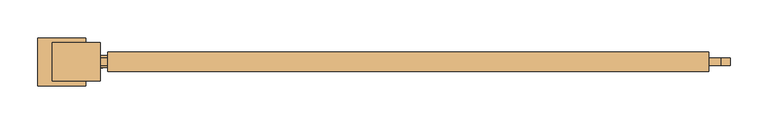
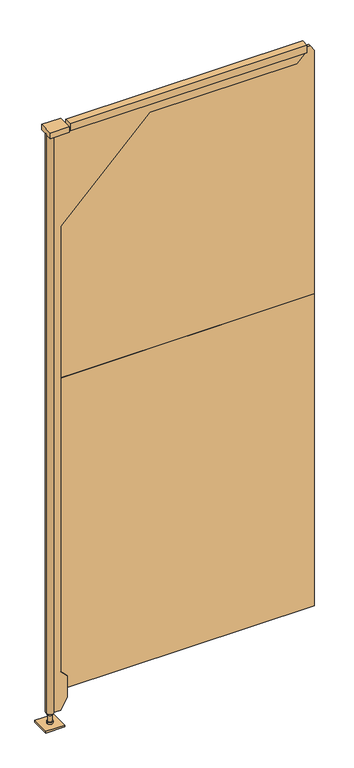
"""IFC4 building model written with IfcOpenShell, lengths in millimetres: door geometry."""

from ifc_helpers import new_model, si_unit, frame, origin, origin_with_axes, place, context, project, spatial, polyline, circle_curve, outline, extrude, source, transform, mapped, element, save
from ifc_brep_helpers import plane_surface, cylinder_surface, advanced_brep


def door_48558cf7(model_context):
    return source(origin(), model_context, "Body", "SolidModel", [
        extrude(outline(polyline([(2090.0906968, -867.4035438), (1239.1906968, -867.4035438), (1239.1906968, -857.8785438), (2090.0906968, -857.8785438), (2090.0906968, -867.4035438)])), frame((0.0, 0.0, 114.3), z_axis=(0.0, 0.0, 1.0), x_axis=(1.0, 0.0, 0.0)), (0.0, 0.0, 1.0), 1104.9),
        extrude(outline(polyline([(2101.85, 2077.410311), (2101.85, 1239.1906968), (1219.2, 1239.1906968), (1219.2, 2090.0906968), (2082.3239183, 2090.0906968), (2101.85, 2077.410311)])), frame((0.0, -867.4035438, 0.0), z_axis=(0.0, 1.0, 0.0), x_axis=(0.0, 0.0, 1.0)), (0.0, 0.0, 1.0), 9.525),
        advanced_brep(
        [(1239.1906968, -870.5785438, 44.45), (1261.4156968, -870.5785438, 82.9448292), (1261.4156968, -870.5785438, 159.1448292), (1239.1906968, -870.5785438, 181.3698292), (1239.1906968, -870.5785438, 1758.95), (1537.9598004, -870.5785438, 2057.7191036), (2030.0848004, -870.5785438, 2057.7191036), (2061.5156968, -870.5785438, 2089.15), (1267.7656968, -870.5785438, 2089.15), (1267.7656968, -870.5785438, 2095.5), (1217.3546311, -870.5785438, 2095.5), (1217.3546311, -870.5785438, 44.45), (2061.5156968, -854.7035438, 2089.15), (2030.0848004, -854.7035438, 2057.7191036), (1537.9598004, -854.7035438, 2057.7191036), (1239.1906968, -854.7035438, 1758.95), (1239.1906968, -854.7035438, 181.3698292), (1261.4156968, -854.7035438, 159.1448292), (1261.4156968, -854.7035438, 82.9448292), (1239.1906968, -854.7035438, 44.45), (1217.3546311, -854.7035438, 44.45), (1217.3546311, -854.7035438, 2095.5), (1267.7656968, -854.7035438, 2095.5), (1267.7656968, -854.7035438, 2089.15), (1194.7406968, -862.6410438, 44.45), (1216.9656968, -862.6410438, 44.45), (1197.9156968, -862.6410438, 44.45), (2061.5156968, -849.9410438, 2089.15), (2061.5156968, -849.9410438, 2114.55), (2061.5156968, -875.3410438, 2114.55), (2061.5156968, -875.3410438, 2089.15), (1194.7406968, -862.6410438, 2095.5), (1197.9156968, -862.6410438, 12.7), (1216.9656968, -862.6410438, 12.7), (1216.9656968, -862.6410438, 6.35), (1197.9156968, -862.6410438, 6.35), (1201.0906968, -862.6410438, 12.7), (1213.7906968, -862.6410438, 12.7), (1201.0906968, -862.6410438, 38.1), (1213.7906968, -862.6410438, 38.1), (1197.9156968, -862.6410438, 38.1), (1216.9656968, -862.6410438, 38.1), (1207.4406968, -862.6410438, 6.35), (1267.7656968, -875.3410438, 2089.15), (1267.7656968, -875.3410438, 2114.55), (1267.7656968, -849.9410438, 2089.15), (1267.7656968, -849.9410438, 2114.55)],
        [
            (0, 1),
            (1, 2),
            (2, 3),
            (3, 4),
            (4, 5),
            (5, 6),
            (6, 7),
            (7, 8),
            (8, 9),
            (9, 10),
            (10, 11),
            (11, 0),
            (12, 13),
            (13, 14),
            (14, 15),
            (15, 16),
            (16, 17),
            (17, 18),
            (18, 19),
            (19, 20),
            (20, 21),
            (21, 22),
            (22, 23),
            (23, 12),
            (19, 0),
            (11, 24, circle_curve(frame((1207.4406968, -862.6410438, 44.45), z_axis=(0.0, 0.0, -1.0), x_axis=(1.0, 0.0, 0.0)), 12.7)),
            (24, 20, circle_curve(frame((1207.4406968, -862.6410438, 44.45), z_axis=(0.0, 0.0, -1.0), x_axis=(1.0, 0.0, 0.0)), 12.7)),
            (25, 26, circle_curve(frame((1207.4406968, -862.6410438, 44.45), z_axis=(0.0, 0.0, 1.0), x_axis=(1.0, 0.0, 0.0)), 9.525)),
            (26, 25, circle_curve(frame((1207.4406968, -862.6410438, 44.45), z_axis=(0.0, 0.0, 1.0), x_axis=(1.0, 0.0, 0.0)), 9.525)),
            (18, 1),
            (17, 2),
            (16, 3),
            (15, 4),
            (14, 5),
            (13, 6),
            (12, 7),
            (12, 27),
            (27, 28),
            (28, 29),
            (29, 30),
            (30, 7),
            (31, 10, circle_curve(frame((1207.4406968, -862.6410438, 2095.5), z_axis=(0.0, 0.0, 1.0), x_axis=(1.0, 0.0, 0.0)), 12.7)),
            (9, 22),
            (21, 31, circle_curve(frame((1207.4406968, -862.6410438, 2095.5), z_axis=(0.0, 0.0, 1.0), x_axis=(1.0, 0.0, 0.0)), 12.7)),
            (32, 33, circle_curve(frame((1207.4406968, -862.6410438, 12.7), z_axis=(0.0, 0.0, -1.0), x_axis=(1.0, 0.0, 0.0)), 9.525)),
            (33, 34),
            (34, 35, circle_curve(frame((1207.4406968, -862.6410438, 6.35), z_axis=(0.0, 0.0, 1.0), x_axis=(1.0, 0.0, 0.0)), 9.525)),
            (35, 32),
            (33, 32, circle_curve(frame((1207.4406968, -862.6410438, 12.7), z_axis=(0.0, 0.0, -1.0), x_axis=(1.0, 0.0, 0.0)), 9.525)),
            (35, 34, circle_curve(frame((1207.4406968, -862.6410438, 6.35), z_axis=(0.0, 0.0, 1.0), x_axis=(1.0, 0.0, 0.0)), 9.525)),
            (32, 36),
            (36, 37, circle_curve(frame((1207.4406968, -862.6410438, 12.7), z_axis=(0.0, 0.0, -1.0), x_axis=(1.0, 0.0, 0.0)), 6.35)),
            (37, 33),
            (37, 36, circle_curve(frame((1207.4406968, -862.6410438, 12.7), z_axis=(0.0, 0.0, -1.0), x_axis=(1.0, 0.0, 0.0)), 6.35)),
            (36, 38),
            (38, 39, circle_curve(frame((1207.4406968, -862.6410438, 38.1), z_axis=(0.0, 0.0, -1.0), x_axis=(1.0, 0.0, 0.0)), 6.35)),
            (39, 37),
            (39, 38, circle_curve(frame((1207.4406968, -862.6410438, 38.1), z_axis=(0.0, 0.0, -1.0), x_axis=(1.0, 0.0, 0.0)), 6.35)),
            (38, 40),
            (40, 41, circle_curve(frame((1207.4406968, -862.6410438, 38.1), z_axis=(0.0, 0.0, -1.0), x_axis=(1.0, 0.0, 0.0)), 9.525)),
            (41, 39),
            (41, 40, circle_curve(frame((1207.4406968, -862.6410438, 38.1), z_axis=(0.0, 0.0, -1.0), x_axis=(1.0, 0.0, 0.0)), 9.525)),
            (40, 26),
            (25, 41),
            (24, 31),
            (34, 42),
            (42, 35),
            (43, 30),
            (29, 44),
            (44, 43),
            (45, 46),
            (46, 28),
            (27, 45),
            (43, 8),
            (23, 45),
            (46, 44),
        ],
        [
            plane_surface(frame((1220.1406968, -870.5785438, 44.45), z_axis=(0.0, -1.0, 0.0), x_axis=(1.0, 0.0, 0.0))),
            plane_surface(frame((1220.1406968, -854.7035438, 44.45), z_axis=(0.0, 1.0, 0.0), x_axis=(-1.0, 0.0, 0.0))),
            plane_surface(frame((1207.4406968, -870.5785438, 44.45), z_axis=(0.0, 0.0, -1.0), x_axis=(0.0, 1.0, 0.0))),
            plane_surface(frame((1239.1906968, -870.5785438, 44.45), z_axis=(0.866025403784438, 0.0, -0.5000000000000012), x_axis=(0.0, 1.0, 0.0))),
            plane_surface(frame((1261.4156968, -870.5785438, 82.9448292), z_axis=(1.0, 0.0, 0.0), x_axis=(0.0, 1.0, 0.0))),
            plane_surface(frame((1261.4156968, -870.5785438, 159.1448292), z_axis=(0.7071067811865491, 0.0, 0.7071067811865459), x_axis=(0.0, 1.0, 0.0))),
            plane_surface(frame((1239.1906968, -870.5785438, 181.3698292), z_axis=(1.0, 0.0, 0.0), x_axis=(0.0, 1.0, 0.0))),
            plane_surface(frame((1239.1906968, -870.5785438, 1758.95), z_axis=(0.7071067811865452, 0.0, -0.7071067811865498), x_axis=(0.0, 1.0, 0.0))),
            plane_surface(frame((1537.9598004, -870.5785438, 2057.7191036), z_axis=(0.0, 0.0, -1.0), x_axis=(0.0, 1.0, 0.0))),
            plane_surface(frame((2030.0848004, -870.5785438, 2057.7191036), z_axis=(0.707106781186546, 0.0, -0.707106781186549), x_axis=(0.0, 1.0, 0.0))),
            plane_surface(frame((2061.5156968, -870.5785438, 2089.15), z_axis=(1.0, 0.0, 0.0), x_axis=(0.0, 1.0, 0.0))),
            plane_surface(frame((2061.5156968, -870.5785438, 2095.5), z_axis=(0.0, 0.0, 1.0), x_axis=(0.0, 1.0, 0.0))),
            cylinder_surface(frame((1207.4406968, -862.6410438, 6.35), z_axis=(0.0, 0.0, 1.0), x_axis=(1.0, 0.0, 0.0)), 9.525),
            plane_surface(frame((1207.4406968, -862.6410438, 12.7), z_axis=(0.0, 0.0, 1.0), x_axis=(1.0, 0.0, 0.0))),
            cylinder_surface(frame((1207.4406968, -862.6410438, 6.35), z_axis=(0.0, 0.0, 1.0), x_axis=(1.0, 0.0, 0.0)), 6.35),
            plane_surface(frame((1207.4406968, -862.6410438, 38.1), z_axis=(0.0, 0.0, -1.0), x_axis=(1.0, 0.0, 0.0))),
            cylinder_surface(frame((1207.4406968, -862.6410438, 6.35), z_axis=(0.0, 0.0, 1.0), x_axis=(1.0, 0.0, 0.0)), 12.7),
            plane_surface(frame((1207.4406968, -862.6410438, 6.35), z_axis=(0.0, 0.0, -1.0), x_axis=(1.0, 0.0, 0.0))),
            plane_surface(frame((1267.7656968, -875.3410438, 2089.15), z_axis=(0.0, -1.0, 0.0), x_axis=(1.0, 0.0, 0.0))),
            plane_surface(frame((1267.7656968, -849.9410438, 2089.15), z_axis=(0.0, 1.0, 0.0), x_axis=(-1.0, 0.0, 0.0))),
            plane_surface(frame((1267.7656968, -875.3410438, 2089.15), z_axis=(0.0, 0.0, -1.0), x_axis=(0.0, 1.0, 0.0))),
            plane_surface(frame((2061.5156968, -875.3410438, 2114.55), z_axis=(0.0, 0.0, 1.0), x_axis=(0.0, 1.0, 0.0))),
            plane_surface(frame((1267.7656968, -875.3410438, 2114.55), z_axis=(-1.0, 0.0, 0.0), x_axis=(0.0, 1.0, 0.0))),
        ],
        [
            (0, [[1, 2, 3, 4, 5, 6, 7, 8, 9, 10, 11, 12]]),
            (1, [[13, 14, 15, 16, 17, 18, 19, 20, 21, 22, 23, 24]]),
            (2, [[25, -12, 26, 27, -20], [28, 29]]),
            (3, [[-1, -25, -19, 30]]),
            (4, [[-2, -30, -18, 31]]),
            (5, [[-3, -31, -17, 32]]),
            (6, [[-4, -32, -16, 33]]),
            (7, [[-5, -33, -15, 34]]),
            (8, [[-6, -34, -14, 35]]),
            (9, [[-7, -35, -13, 36]]),
            (10, [[-36, 37, 38, 39, 40, 41]]),
            (11, [[42, -10, 43, -22, 44]]),
            (12, [[45, 46, 47, 48]]),
            (12, [[-46, 49, -48, 50]]),
            (13, [[-45, 51, 52, 53]]),
            (13, [[-49, -53, 54, -51]]),
            (14, [[-52, 55, 56, 57]]),
            (14, [[-54, -57, 58, -55]]),
            (15, [[-56, 59, 60, 61]]),
            (15, [[-58, -61, 62, -59]]),
            (12, [[-60, 63, -28, 64]]),
            (12, [[-62, -64, -29, -63]]),
            (16, [[65, -44, -21, -27]]),
            (16, [[-65, -26, -11, -42]]),
            (17, [[-47, 66, 67]]),
            (17, [[-50, -67, -66]]),
            (18, [[68, -40, 69, 70]]),
            (19, [[71, 72, -38, 73]]),
            (20, [[-68, 74, -8, -41]]),
            (20, [[-73, -37, -24, 75]]),
            (21, [[-69, -39, -72, 76]]),
            (22, [[-70, -76, -71, -75, -23, -43, -9, -74]]),
        ],
    ),
        extrude(outline(polyline([(1258.2406968, -888.0410438), (1194.7406968, -888.0410438), (1194.7406968, -837.2410438), (1258.2406968, -837.2410438), (1258.2406968, -888.0410438)])), frame((0.0, 0.0, 2095.5), z_axis=(0.0, 0.0, 1.0), x_axis=(1.0, 0.0, 0.0)), (0.0, 0.0, 1.0), 19.05),
        extrude(outline(polyline([(1239.1906968, -830.8910438), (1239.1906968, -894.3910438), (1175.6906968, -894.3910438), (1175.6906968, -830.8910438), (1239.1906968, -830.8910438)])), origin_with_axes(), (0.0, 0.0, 1.0), 6.35),
    ])


if __name__ == "__main__":
    model = new_model("IFC4")
    model_context = context("Model", 3, world=origin())
    ifc_project = project(units=[si_unit("LENGTHUNIT", "METRE", prefix="MILLI")], contexts=[model_context])
    site = spatial("IfcSite", under=ifc_project)
    building = spatial("IfcBuilding", under=site)
    placement = place(None, origin())
    door_shape = door_48558cf7(model_context)
    element("IfcDoor", 1, at=placement, inside=building, context=model_context, shape_type="MappedRepresentation", body=[
        mapped(door_shape, transform((0.0, 0.0, 0.0), x_axis=(1.0, 0.0, 0.0), y_axis=(0.0, 1.0, 0.0), z_axis=(0.0, 0.0, 1.0))),
    ])
    save(model, "model.ifc")
